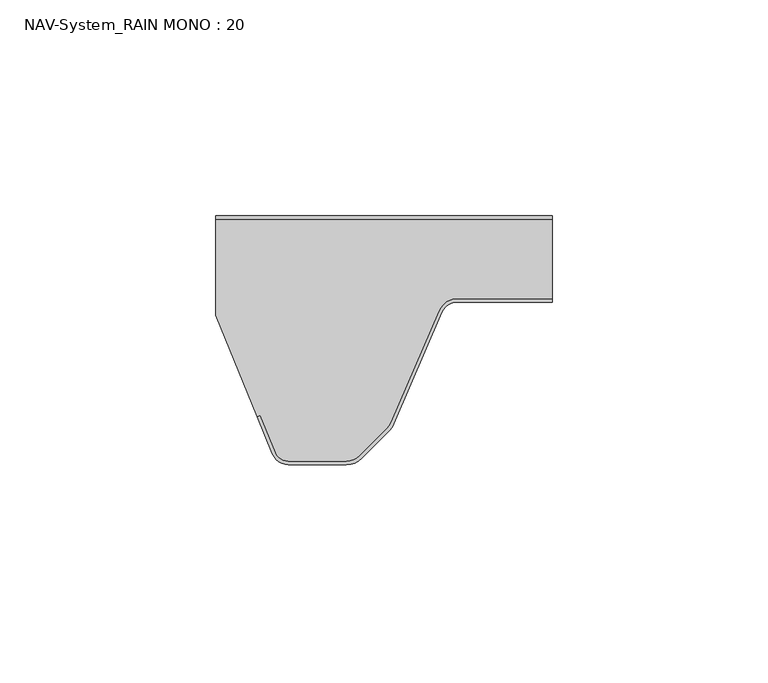
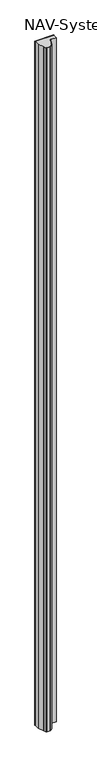
"""IFC4 building model written with IfcOpenShell, lengths in millimetres: plate geometry, NAV-System_RAIN MONO : 20."""

from ifc_helpers import new_model, si_unit, point, frame_2d, origin, origin_with_axes, place, context, project, spatial, polyline, circle_curve, trimmed, segment, composite_curve, outline, extrude, source, transform, mapped, element, save


def nav_system_rain_mono_20_6b0a7687(model_context):
    return source(origin(), model_context, "Body", "SweptSolid", [
        extrude(outline(polyline([(-28.0, -0.8), (-28.0, 0.0), (50.0, 0.0), (50.0, -0.8), (-28.0, -0.8)])), origin_with_axes(), (0.0, 0.0, 1.0), 3000.0),
        extrude(outline(composite_curve([segment(trimmed(circle_curve(frame_2d((28.0709249, -24.0)), 4.8), [point((28.0709249, -19.2))], [point((23.6607271, -22.1052295))], True, "CARTESIAN"), True, "CONTINUOUS"), segment(polyline([(23.6607271, -22.1052295), (12.5754349, -47.9069459)]), True, "CONTINUOUS"), segment(trimmed(circle_curve(frame_2d((8.7165118, -46.2490217)), 4.2), [point((12.5754349, -47.9069459))], [point((11.6863603, -49.2188701))], False, "CARTESIAN"), True, "CONTINUOUS"), segment(polyline([(11.6863603, -49.2188701), (5.235382, -55.6698485)]), True, "CONTINUOUS"), segment(trimmed(circle_curve(frame_2d((2.2655335, -52.7)), 4.2), [point((5.235382, -55.6698485))], [point((2.2655335, -56.9))], False, "CARTESIAN"), True, "CONTINUOUS"), segment(polyline([(2.2655335, -56.9), (-11.1405186, -56.9)]), True, "CONTINUOUS"), segment(trimmed(circle_curve(frame_2d((-11.1405186, -53.7)), 3.2), [point((-11.1405186, -56.9))], [point((-14.1022482, -54.9116756))], False, "CARTESIAN"), True, "CONTINUOUS"), segment(polyline([(-14.1022482, -54.9116756), (-17.6292254, -46.2905951), (-18.3696578, -46.593514), (-28.0, -23.053822), (-28.0, -0.8), (50.0, -0.8), (50.0, -19.2), (28.0709249, -19.2)]), True, "CONTINUOUS")], self_intersect=False)), origin_with_axes(), (0.0, 0.0, 1.0), 3000.0),
        extrude(outline(composite_curve([segment(polyline([(-14.8430228, -55.2145945), (-18.37, -46.593514), (-17.6295676, -46.2905951), (-14.1025904, -54.9116756)]), True, "CONTINUOUS"), segment(trimmed(circle_curve(frame_2d((-11.1408608, -53.7)), 3.2), [point((-14.1025904, -54.9116756))], [point((-11.1408608, -56.9))], True, "CARTESIAN"), True, "CONTINUOUS"), segment(polyline([(-11.1408608, -56.9), (2.2651913, -56.9)]), True, "CONTINUOUS"), segment(trimmed(circle_curve(frame_2d((2.2651913, -52.7)), 4.2), [point((2.2651913, -56.9))], [point((5.2350397, -55.6698485))], True, "CARTESIAN"), True, "CONTINUOUS"), segment(polyline([(5.2350397, -55.6698485), (11.6860181, -49.2188701)]), True, "CONTINUOUS"), segment(trimmed(circle_curve(frame_2d((8.7161696, -46.2490217)), 4.2), [point((11.6860181, -49.2188701))], [point((12.5750927, -47.9069459))], True, "CARTESIAN"), True, "CONTINUOUS"), segment(polyline([(12.5750927, -47.9069459), (23.6603849, -22.1052295)]), True, "CONTINUOUS"), segment(trimmed(circle_curve(frame_2d((28.0705827, -24.0)), 4.8), [point((23.6603849, -22.1052295))], [point((28.0705827, -19.2))], False, "CARTESIAN"), True, "CONTINUOUS"), segment(polyline([(28.0705827, -19.2), (50.0, -19.2), (50.0, -20.0), (28.0705827, -20.0)]), True, "CONTINUOUS"), segment(trimmed(circle_curve(frame_2d((28.0705827, -24.0)), 4.0), [point((28.0705827, -20.0))], [point((24.3954178, -22.4210246))], True, "CARTESIAN"), True, "CONTINUOUS"), segment(polyline([(24.3954178, -22.4210246), (13.3101256, -48.2227409)]), True, "CONTINUOUS"), segment(trimmed(circle_curve(frame_2d((8.7161696, -46.2490217)), 5.0), [point((13.3101256, -48.2227409))], [point((12.2517035, -49.7845556))], False, "CARTESIAN"), True, "CONTINUOUS"), segment(polyline([(12.2517035, -49.7845556), (5.8007252, -56.2355339)]), True, "CONTINUOUS"), segment(trimmed(circle_curve(frame_2d((2.2651913, -52.7)), 5.0), [point((5.8007252, -56.2355339))], [point((2.2651913, -57.7))], False, "CARTESIAN"), True, "CONTINUOUS"), segment(polyline([(2.2651913, -57.7), (-11.1408608, -57.7)]), True, "CONTINUOUS"), segment(trimmed(circle_curve(frame_2d((-11.1408608, -53.7)), 4.0), [point((-11.1408608, -57.7))], [point((-14.8430228, -55.2145945))], False, "CARTESIAN"), True, "CONTINUOUS")], self_intersect=False)), origin_with_axes(), (0.0, 0.0, 1.0), 3000.0),
    ])


if __name__ == "__main__":
    model = new_model("IFC4")
    model_context = context("Model", 3, world=origin())
    ifc_project = project(units=[si_unit("LENGTHUNIT", "METRE", prefix="MILLI")], contexts=[model_context])
    site = spatial("IfcSite", under=ifc_project)
    building = spatial("IfcBuilding", under=site)
    placement = place(None, origin())
    nav_system_rain_mono_20_shape = nav_system_rain_mono_20_6b0a7687(model_context)
    element("IfcPlate", 1, ObjectType="NAV-System_RAIN MONO : 20", at=placement, inside=building, context=model_context, shape_type="MappedRepresentation", body=[
        mapped(nav_system_rain_mono_20_shape, transform((0.0, 0.0, 0.0), x_axis=(1.0, 0.0, 0.0), y_axis=(0.0, 1.0, 0.0), z_axis=(0.0, 0.0, 1.0))),
    ])
    save(model, "model.ifc")
